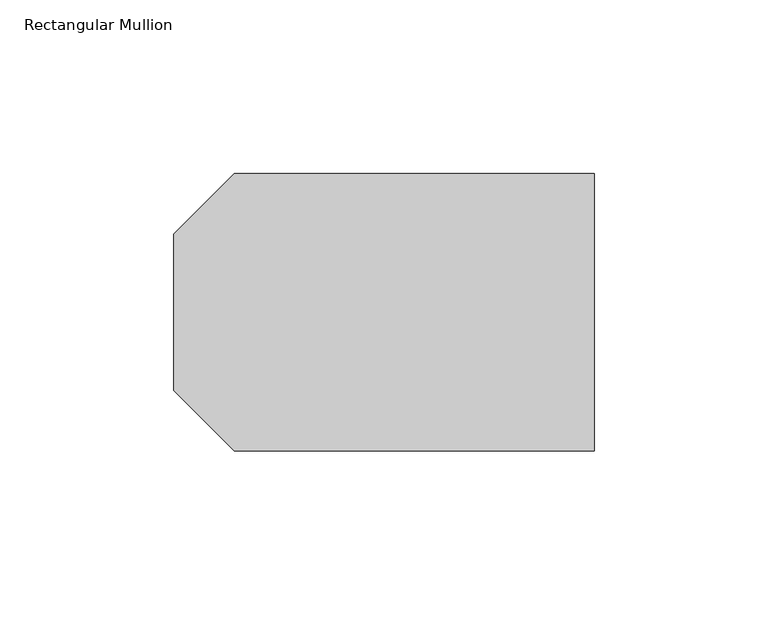
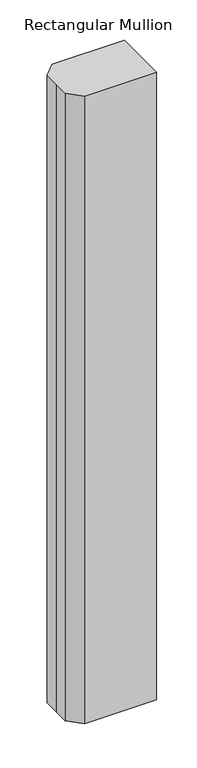
"""IFC4 building model written with IfcOpenShell, lengths in millimetres: member geometry, Rectangular Mullion."""

import ifcopenshell
import ifcopenshell.guid

model = None  # the IFC model being written
_history = None  # IfcOwnerHistory: only IFC2X3 demands one
_inside = {}  # id of a spatial element -> (the spatial element, [elements in it])
_under = {}  # id of a project, library or spatial element -> (it, [spatial elements below it])
_declared = {}  # id of a project -> (the project, [libraries it declares])
_typed = {}  # id of a type object -> (the type object, [elements of that type])
_made_of = {}  # id of a material, layer set ... -> (it, [elements and type objects made of it])


def new_model(schema):
    """Start an empty IFC model of exactly this schema.

    Asked for "IFC4X3", IfcOpenShell would pick the latest addendum, in which some entities
    have other attributes; the version numbers below select the first issue.
    IFC2X3 requires an IfcOwnerHistory on every rooted entity: one is made here for all.
    """
    global model, _history
    if schema == "IFC4X3":
        model = ifcopenshell.file(schema_version=(4, 3, 0, 0))
    else:
        model = ifcopenshell.file(schema=schema)
    _inside.clear()
    _under.clear()
    _declared.clear()
    _typed.clear()
    _made_of.clear()
    _history = None
    if model.schema == "IFC2X3":
        org = make("IfcOrganization", Name="unknown")
        user = make(
            "IfcPersonAndOrganization",
            ThePerson=make("IfcPerson", FamilyName="unknown"),
            TheOrganization=org,
        )
        app = make(
            "IfcApplication",
            ApplicationDeveloper=org,
            Version="unknown",
            ApplicationFullName="unknown",
            ApplicationIdentifier="unknown",
        )
        _history = make(
            "IfcOwnerHistory",
            OwningUser=user,
            OwningApplication=app,
            ChangeAction="ADDED",
            CreationDate=0,
        )
    return model


def make(cls, **values):
    """One entity of the class cls with the attributes given. An attribute that is None is left unset."""
    return model.create_entity(
        cls, **{name: value for name, value in values.items() if value is not None}
    )


def rooted(cls, **values):
    """An entity with a GlobalId (a new one), such as an element, a storey or a relation."""
    return make(cls, GlobalId=ifcopenshell.guid.new(), OwnerHistory=_history, **values)


def si_unit(unit_type, name, prefix=None):
    """IfcSIUnit, for example si_unit("LENGTHUNIT", "METRE", prefix="MILLI")."""
    return make("IfcSIUnit", UnitType=unit_type, Prefix=prefix, Name=name)


def assignment(units):
    """IfcUnitAssignment: the units of a project."""
    return None if units is None else make("IfcUnitAssignment", Units=units)


def point(xyz):
    """IfcCartesianPoint."""
    return None if xyz is None else make("IfcCartesianPoint", Coordinates=xyz)


def direction(xyz):
    """IfcDirection."""
    return None if xyz is None else make("IfcDirection", DirectionRatios=xyz)


def frame(location, z_axis=None, x_axis=None):
    """IfcAxis2Placement3D, a coordinate frame: its origin and axes. An axis left out is left unset."""
    return make(
        "IfcAxis2Placement3D",
        Location=point(location),
        Axis=direction(z_axis),
        RefDirection=direction(x_axis),
    )


def origin():
    """The frame at (0, 0, 0) with its axes left unset."""
    return frame((0.0, 0.0, 0.0))


def place(relative_to, where):
    """IfcLocalPlacement: puts the frame where relative to a parent placement (None: the world)."""
    return make(
        "IfcLocalPlacement", PlacementRelTo=relative_to, RelativePlacement=where
    )


def context(
    kind, dimensions, precision=None, world=None, true_north=None, identifier=None
):
    """IfcGeometricRepresentationContext, for example the 3D "Model" context."""
    return make(
        "IfcGeometricRepresentationContext",
        ContextIdentifier=identifier,
        ContextType=kind,
        CoordinateSpaceDimension=dimensions,
        Precision=precision,
        WorldCoordinateSystem=world,
        TrueNorth=true_north,
    )


def project(units=None, contexts=None):
    """IfcProject with its units and contexts."""
    return rooted(
        "IfcProject",
        Name="project",
        RepresentationContexts=contexts,
        UnitsInContext=assignment(units),
    )


def spatial(cls, under=None, at=None, **own):
    """A site, building, storey or space (cls), placed at a placement, below another one or the project."""
    s = rooted(cls, ObjectPlacement=at, **own)
    if under is not None:
        _under.setdefault(under.id(), (under, []))[1].append(s)
    return s


def polyline(points):
    """IfcPolyline through the points."""
    return make("IfcPolyline", Points=[point(p) for p in points])


def outline(outer, holes=None, kind="AREA"):
    """IfcArbitraryClosedProfileDef: a profile drawn as a closed curve; with holes, ...WithVoids."""
    if holes is None:
        return make("IfcArbitraryClosedProfileDef", ProfileType=kind, OuterCurve=outer)
    return make(
        "IfcArbitraryProfileDefWithVoids",
        ProfileType=kind,
        OuterCurve=outer,
        InnerCurves=holes,
    )


def extrude(swept, where, along, depth):
    """IfcExtrudedAreaSolid: the profile swept, set in the frame where, extruded along a direction by depth."""
    return make(
        "IfcExtrudedAreaSolid",
        SweptArea=swept,
        Position=where,
        ExtrudedDirection=direction(along),
        Depth=depth,
    )


def shape(context_of_items, identifier, shape_type, items):
    """IfcShapeRepresentation: the items that make up one representation, for example the "Body"."""
    return make(
        "IfcShapeRepresentation",
        ContextOfItems=context_of_items,
        RepresentationIdentifier=identifier,
        RepresentationType=shape_type,
        Items=items,
    )


def source(mapping_origin, context_of_items, identifier, shape_type, items):
    """IfcRepresentationMap: a shape defined once, which mapped items show again and again."""
    return make(
        "IfcRepresentationMap",
        MappingOrigin=mapping_origin,
        MappedRepresentation=shape(context_of_items, identifier, shape_type, items),
    )


def transform(
    local_origin,
    x_axis=None,
    y_axis=None,
    z_axis=None,
    scale=None,
    scale2=None,
    scale3=None,
    uniform=True,
):
    """IfcCartesianTransformationOperator3D, or its non-uniform kind. x_axis, y_axis, z_axis: its Axis1, 2, 3."""
    if uniform:
        return make(
            "IfcCartesianTransformationOperator3D",
            Axis1=direction(x_axis),
            Axis2=direction(y_axis),
            LocalOrigin=point(local_origin),
            Scale=scale,
            Axis3=direction(z_axis),
        )
    return make(
        "IfcCartesianTransformationOperator3DnonUniform",
        Axis1=direction(x_axis),
        Axis2=direction(y_axis),
        LocalOrigin=point(local_origin),
        Scale=scale,
        Axis3=direction(z_axis),
        Scale2=scale2,
        Scale3=scale3,
    )


def mapped(mapping_source, mapping_target):
    """IfcMappedItem: shows the shape of a source again, moved by a transform."""
    return make(
        "IfcMappedItem", MappingSource=mapping_source, MappingTarget=mapping_target
    )


def made_of(thing, what):
    """Note that an element or type object is made of a material, layer set ...; save() writes the relation."""
    if what is not None:
        _made_of.setdefault(what.id(), (what, []))[1].append(thing)
    return thing


def element(
    cls,
    number,
    at=None,
    inside=None,
    cuts=None,
    type_object=None,
    material=None,
    context=None,
    identifier="Body",
    shape_type=None,
    held_by="IfcProductDefinitionShape",
    body=None,
    shapes=None,
    **own,
):
    """One element of the class cls, such as IfcWall. Its Tag is "e" and its number.

    at: its placement. inside: the storey or other place that contains it. cuts: it is an
    opening in that element (IfcRelVoidsElement). A single representation is given by context,
    identifier, shape_type and body (its items); several are given by shapes. held_by: the class
    of the entity that holds the representations. save() writes the other relations.
    """
    e = rooted(cls, Tag="e%d" % number, ObjectPlacement=at, **own)
    if body is not None:
        shapes = [shape(context, identifier, shape_type, body)]
    if shapes is not None:
        e.Representation = make(held_by, Representations=shapes)
    if inside is not None:
        _inside.setdefault(inside.id(), (inside, []))[1].append(e)
    if cuts is not None:
        rooted(
            "IfcRelVoidsElement", RelatingBuildingElement=cuts, RelatedOpeningElement=e
        )
    if type_object is not None:
        _typed.setdefault(type_object.id(), (type_object, []))[1].append(e)
    return made_of(e, material)


def aggregate(whole, parts):
    """IfcRelAggregates: a whole, such as a stair, and the parts it consists of."""
    return rooted("IfcRelAggregates", RelatingObject=whole, RelatedObjects=parts)


def save(model, path):
    """Write the relations noted so far, then the file.

    IfcRelAggregates (storeys below a building ...), IfcRelContainedInSpatialStructure (elements
    in a storey), IfcRelDefinesByType, IfcRelAssociatesMaterial and IfcRelDeclares: one each for
    every whole, place, type object, material and project.
    """
    for whole, parts in _under.values():
        aggregate(whole, parts)
    for where, things in _inside.values():
        rooted(
            "IfcRelContainedInSpatialStructure",
            RelatedElements=things,
            RelatingStructure=where,
        )
    for kind, things in _typed.values():
        rooted("IfcRelDefinesByType", RelatedObjects=things, RelatingType=kind)
    for what, things in _made_of.values():
        rooted("IfcRelAssociatesMaterial", RelatedObjects=things, RelatingMaterial=what)
    for by, libraries in _declared.values():
        rooted("IfcRelDeclares", RelatingContext=by, RelatedDefinitions=libraries)
    model.write(path)


def rectangular_mullion_4291d8e9(model_context):
    return source(origin(), model_context, "Body", "SweptSolid", [
        extrude(outline(polyline([(-121.0, 22.5), (-103.597438, 39.902562), (0.0, 39.902562), (0.0, -39.902562), (-103.597438, -39.902562), (-121.0, -22.5), (-121.0, 0.0), (-121.0, 22.5)])), frame((0.0, 0.0, -950.0000002), z_axis=(0.0, 0.0, 1.0), x_axis=(1.0, 0.0, 0.0)), (0.0, 0.0, 1.0), 950.0000002),
    ])


if __name__ == "__main__":
    model = new_model("IFC4")
    model_context = context("Model", 3, world=origin())
    ifc_project = project(units=[si_unit("LENGTHUNIT", "METRE", prefix="MILLI")], contexts=[model_context])
    site = spatial("IfcSite", under=ifc_project)
    building = spatial("IfcBuilding", under=site)
    placement = place(None, origin())
    rectangular_mullion_shape = rectangular_mullion_4291d8e9(model_context)
    element("IfcMember", 1, ObjectType="Rectangular Mullion", at=placement, inside=building, context=model_context, shape_type="MappedRepresentation", body=[
        mapped(rectangular_mullion_shape, transform((0.0, 0.0, 0.0), x_axis=(1.0, 0.0, 0.0), y_axis=(0.0, 1.0, 0.0), z_axis=(0.0, 0.0, 1.0))),
    ])
    save(model, "model.ifc")
